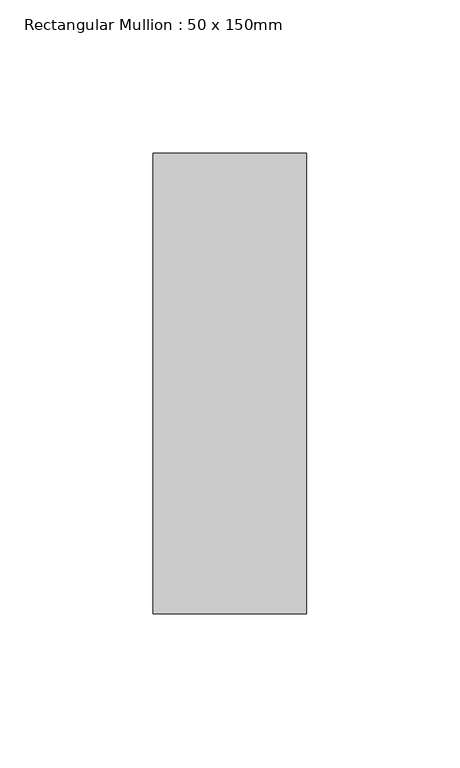
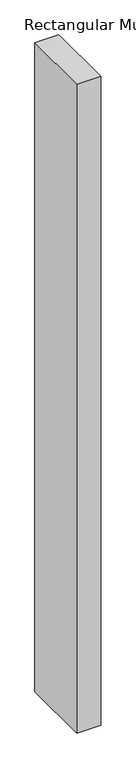
"""IFC4 building model written with IfcOpenShell, lengths in millimetres: member geometry, Rectangular Mullion : 50 x 150mm."""

from ifc_helpers import new_model, si_unit, frame, origin, place, context, project, spatial, polyline, outline, extrude, source, transform, mapped, element, save


def rectangular_mullion_50_x_150mm_b1533bab(model_context):
    return source(origin(), model_context, "Body", "SweptSolid", [
        extrude(outline(polyline([(25.0, 75.0), (25.0, -75.0), (-25.0, -75.0), (-25.0, 75.0), (25.0, 75.0)])), frame((0.0, 0.0, -1424.5806285), z_axis=(0.0, 0.0, 1.0), x_axis=(1.0, 0.0, 0.0)), (0.0, 0.0, 1.0), 1424.5806285),
    ])


if __name__ == "__main__":
    model = new_model("IFC4")
    model_context = context("Model", 3, world=origin())
    ifc_project = project(units=[si_unit("LENGTHUNIT", "METRE", prefix="MILLI")], contexts=[model_context])
    site = spatial("IfcSite", under=ifc_project)
    building = spatial("IfcBuilding", under=site)
    placement = place(None, origin())
    rectangular_mullion_50_x_150mm_shape = rectangular_mullion_50_x_150mm_b1533bab(model_context)
    element("IfcMember", 1, ObjectType="Rectangular Mullion : 50 x 150mm", at=placement, inside=building, context=model_context, shape_type="MappedRepresentation", body=[
        mapped(rectangular_mullion_50_x_150mm_shape, transform((0.0, 0.0, 0.0), x_axis=(1.0, 0.0, 0.0), y_axis=(0.0, 1.0, 0.0), z_axis=(0.0, 0.0, 1.0))),
    ])
    save(model, "model.ifc")
